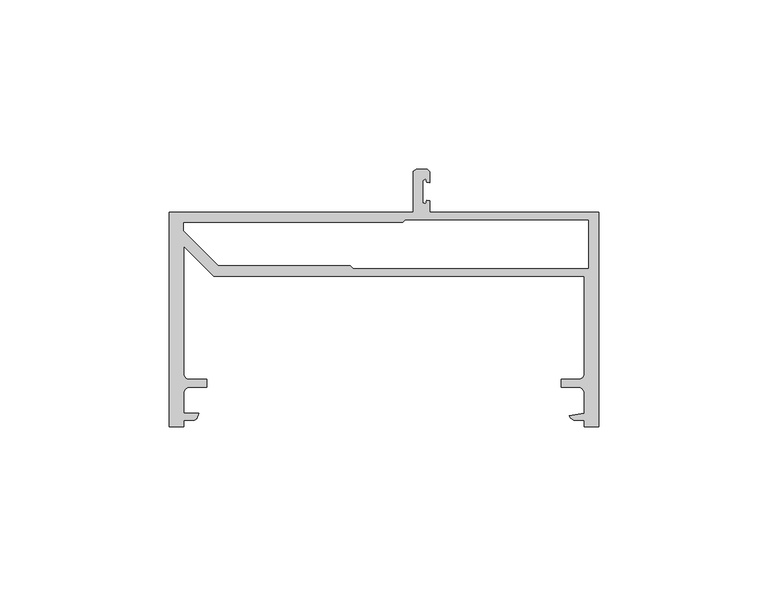
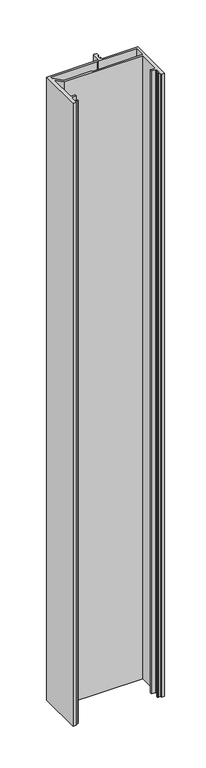
"""IFC4 building model written with IfcOpenShell, lengths in millimetres: proxy geometry."""

import ifcopenshell
import ifcopenshell.guid

model = None  # the IFC model being written
_history = None  # IfcOwnerHistory: only IFC2X3 demands one
_inside = {}  # id of a spatial element -> (the spatial element, [elements in it])
_under = {}  # id of a project, library or spatial element -> (it, [spatial elements below it])
_declared = {}  # id of a project -> (the project, [libraries it declares])
_typed = {}  # id of a type object -> (the type object, [elements of that type])
_made_of = {}  # id of a material, layer set ... -> (it, [elements and type objects made of it])


def new_model(schema):
    """Start an empty IFC model of exactly this schema.

    Asked for "IFC4X3", IfcOpenShell would pick the latest addendum, in which some entities
    have other attributes; the version numbers below select the first issue.
    IFC2X3 requires an IfcOwnerHistory on every rooted entity: one is made here for all.
    """
    global model, _history
    if schema == "IFC4X3":
        model = ifcopenshell.file(schema_version=(4, 3, 0, 0))
    else:
        model = ifcopenshell.file(schema=schema)
    _inside.clear()
    _under.clear()
    _declared.clear()
    _typed.clear()
    _made_of.clear()
    _history = None
    if model.schema == "IFC2X3":
        org = make("IfcOrganization", Name="unknown")
        user = make(
            "IfcPersonAndOrganization",
            ThePerson=make("IfcPerson", FamilyName="unknown"),
            TheOrganization=org,
        )
        app = make(
            "IfcApplication",
            ApplicationDeveloper=org,
            Version="unknown",
            ApplicationFullName="unknown",
            ApplicationIdentifier="unknown",
        )
        _history = make(
            "IfcOwnerHistory",
            OwningUser=user,
            OwningApplication=app,
            ChangeAction="ADDED",
            CreationDate=0,
        )
    return model


def make(cls, **values):
    """One entity of the class cls with the attributes given. An attribute that is None is left unset."""
    return model.create_entity(
        cls, **{name: value for name, value in values.items() if value is not None}
    )


def rooted(cls, **values):
    """An entity with a GlobalId (a new one), such as an element, a storey or a relation."""
    return make(cls, GlobalId=ifcopenshell.guid.new(), OwnerHistory=_history, **values)


def si_unit(unit_type, name, prefix=None):
    """IfcSIUnit, for example si_unit("LENGTHUNIT", "METRE", prefix="MILLI")."""
    return make("IfcSIUnit", UnitType=unit_type, Prefix=prefix, Name=name)


def assignment(units):
    """IfcUnitAssignment: the units of a project."""
    return None if units is None else make("IfcUnitAssignment", Units=units)


def point(xyz):
    """IfcCartesianPoint."""
    return None if xyz is None else make("IfcCartesianPoint", Coordinates=xyz)


def direction(xyz):
    """IfcDirection."""
    return None if xyz is None else make("IfcDirection", DirectionRatios=xyz)


def frame(location, z_axis=None, x_axis=None):
    """IfcAxis2Placement3D, a coordinate frame: its origin and axes. An axis left out is left unset."""
    return make(
        "IfcAxis2Placement3D",
        Location=point(location),
        Axis=direction(z_axis),
        RefDirection=direction(x_axis),
    )


def origin():
    """The frame at (0, 0, 0) with its axes left unset."""
    return frame((0.0, 0.0, 0.0))


def place(relative_to, where):
    """IfcLocalPlacement: puts the frame where relative to a parent placement (None: the world)."""
    return make(
        "IfcLocalPlacement", PlacementRelTo=relative_to, RelativePlacement=where
    )


def context(
    kind, dimensions, precision=None, world=None, true_north=None, identifier=None
):
    """IfcGeometricRepresentationContext, for example the 3D "Model" context."""
    return make(
        "IfcGeometricRepresentationContext",
        ContextIdentifier=identifier,
        ContextType=kind,
        CoordinateSpaceDimension=dimensions,
        Precision=precision,
        WorldCoordinateSystem=world,
        TrueNorth=true_north,
    )


def project(units=None, contexts=None):
    """IfcProject with its units and contexts."""
    return rooted(
        "IfcProject",
        Name="project",
        RepresentationContexts=contexts,
        UnitsInContext=assignment(units),
    )


def spatial(cls, under=None, at=None, **own):
    """A site, building, storey or space (cls), placed at a placement, below another one or the project."""
    s = rooted(cls, ObjectPlacement=at, **own)
    if under is not None:
        _under.setdefault(under.id(), (under, []))[1].append(s)
    return s


def polyline(points):
    """IfcPolyline through the points."""
    return make("IfcPolyline", Points=[point(p) for p in points])


def outline(outer, holes=None, kind="AREA"):
    """IfcArbitraryClosedProfileDef: a profile drawn as a closed curve; with holes, ...WithVoids."""
    if holes is None:
        return make("IfcArbitraryClosedProfileDef", ProfileType=kind, OuterCurve=outer)
    return make(
        "IfcArbitraryProfileDefWithVoids",
        ProfileType=kind,
        OuterCurve=outer,
        InnerCurves=holes,
    )


def extrude(swept, where, along, depth):
    """IfcExtrudedAreaSolid: the profile swept, set in the frame where, extruded along a direction by depth."""
    return make(
        "IfcExtrudedAreaSolid",
        SweptArea=swept,
        Position=where,
        ExtrudedDirection=direction(along),
        Depth=depth,
    )


def shape(context_of_items, identifier, shape_type, items):
    """IfcShapeRepresentation: the items that make up one representation, for example the "Body"."""
    return make(
        "IfcShapeRepresentation",
        ContextOfItems=context_of_items,
        RepresentationIdentifier=identifier,
        RepresentationType=shape_type,
        Items=items,
    )


def source(mapping_origin, context_of_items, identifier, shape_type, items):
    """IfcRepresentationMap: a shape defined once, which mapped items show again and again."""
    return make(
        "IfcRepresentationMap",
        MappingOrigin=mapping_origin,
        MappedRepresentation=shape(context_of_items, identifier, shape_type, items),
    )


def transform(
    local_origin,
    x_axis=None,
    y_axis=None,
    z_axis=None,
    scale=None,
    scale2=None,
    scale3=None,
    uniform=True,
):
    """IfcCartesianTransformationOperator3D, or its non-uniform kind. x_axis, y_axis, z_axis: its Axis1, 2, 3."""
    if uniform:
        return make(
            "IfcCartesianTransformationOperator3D",
            Axis1=direction(x_axis),
            Axis2=direction(y_axis),
            LocalOrigin=point(local_origin),
            Scale=scale,
            Axis3=direction(z_axis),
        )
    return make(
        "IfcCartesianTransformationOperator3DnonUniform",
        Axis1=direction(x_axis),
        Axis2=direction(y_axis),
        LocalOrigin=point(local_origin),
        Scale=scale,
        Axis3=direction(z_axis),
        Scale2=scale2,
        Scale3=scale3,
    )


def mapped(mapping_source, mapping_target):
    """IfcMappedItem: shows the shape of a source again, moved by a transform."""
    return make(
        "IfcMappedItem", MappingSource=mapping_source, MappingTarget=mapping_target
    )


def made_of(thing, what):
    """Note that an element or type object is made of a material, layer set ...; save() writes the relation."""
    if what is not None:
        _made_of.setdefault(what.id(), (what, []))[1].append(thing)
    return thing


def element(
    cls,
    number,
    at=None,
    inside=None,
    cuts=None,
    type_object=None,
    material=None,
    context=None,
    identifier="Body",
    shape_type=None,
    held_by="IfcProductDefinitionShape",
    body=None,
    shapes=None,
    **own,
):
    """One element of the class cls, such as IfcWall. Its Tag is "e" and its number.

    at: its placement. inside: the storey or other place that contains it. cuts: it is an
    opening in that element (IfcRelVoidsElement). A single representation is given by context,
    identifier, shape_type and body (its items); several are given by shapes. held_by: the class
    of the entity that holds the representations. save() writes the other relations.
    """
    e = rooted(cls, Tag="e%d" % number, ObjectPlacement=at, **own)
    if body is not None:
        shapes = [shape(context, identifier, shape_type, body)]
    if shapes is not None:
        e.Representation = make(held_by, Representations=shapes)
    if inside is not None:
        _inside.setdefault(inside.id(), (inside, []))[1].append(e)
    if cuts is not None:
        rooted(
            "IfcRelVoidsElement", RelatingBuildingElement=cuts, RelatedOpeningElement=e
        )
    if type_object is not None:
        _typed.setdefault(type_object.id(), (type_object, []))[1].append(e)
    return made_of(e, material)


def aggregate(whole, parts):
    """IfcRelAggregates: a whole, such as a stair, and the parts it consists of."""
    return rooted("IfcRelAggregates", RelatingObject=whole, RelatedObjects=parts)


def save(model, path):
    """Write the relations noted so far, then the file.

    IfcRelAggregates (storeys below a building ...), IfcRelContainedInSpatialStructure (elements
    in a storey), IfcRelDefinesByType, IfcRelAssociatesMaterial and IfcRelDeclares: one each for
    every whole, place, type object, material and project.
    """
    for whole, parts in _under.values():
        aggregate(whole, parts)
    for where, things in _inside.values():
        rooted(
            "IfcRelContainedInSpatialStructure",
            RelatedElements=things,
            RelatingStructure=where,
        )
    for kind, things in _typed.values():
        rooted("IfcRelDefinesByType", RelatedObjects=things, RelatingType=kind)
    for what, things in _made_of.values():
        rooted("IfcRelAssociatesMaterial", RelatedObjects=things, RelatingMaterial=what)
    for by, libraries in _declared.values():
        rooted("IfcRelDeclares", RelatingContext=by, RelatedDefinitions=libraries)
    model.write(path)


def generic_models_aaa32956(model_context):
    return source(origin(), model_context, "Body", "SweptSolid", [
        extrude(outline(polyline([(37135.3710168, -23836.7255573), (37207.5801688, -23836.7255573), (37207.5801688, -23824.6818933), (37208.3675688, -23824.0255573), (37211.6980168, -23824.0255573), (37212.3594328, -23824.8088933), (37212.3594328, -23828.0042133), (37211.4927848, -23827.9117573), (37211.1514088, -23826.9252213), (37210.3243848, -23827.4545573), (37210.3243848, -23833.9254613), (37211.2458968, -23834.2841093), (37211.4927848, -23833.2579493), (37212.3594328, -23833.3473573), (37212.3594328, -23836.7255573), (37262.3710168, -23836.7255573), (37262.3710168, -23900.2255573), (37257.9991688, -23900.2255573), (37257.9991688, -23898.1915253), (37254.9948568, -23898.1915253), (37254.0692808, -23897.6621893), (37253.6842168, -23896.8961253), (37257.9991688, -23896.1574933), (37257.9991688, -23889.7912373), (37257.460869, -23888.8588747), (37256.6976728, -23888.4734853), (37251.2691848, -23888.4734853), (37251.2691848, -23886.1864693), (37256.6824328, -23886.1864693), (37257.6141048, -23885.6510373), (37257.9991688, -23884.8961493), (37257.9991688, -23855.6206044), (37148.5836017, -23855.6206044), (37139.7367946, -23846.7737973), (37139.7367946, -23884.8798784), (37140.2711848, -23885.8054693), (37141.0321688, -23886.1864693), (37146.4667528, -23886.1864693), (37146.4667528, -23888.4734853), (37141.0474088, -23888.4734853), (37140.1218328, -23889.0139973), (37139.7367688, -23889.7739653), (37139.7367688, -23896.1574933), (37144.0578168, -23896.1574933), (37143.5173048, -23897.8054453), (37142.7563208, -23898.1915253), (37139.7367688, -23898.1915253), (37139.7367688, -23900.2255573), (37135.3710168, -23900.2255573), (37135.3710168, -23836.7255573)]), holes=[polyline([(37204.4315848, -23839.9005573), (37139.7388008, -23839.9005573), (37139.7388008, -23842.2840933), (37149.9008328, -23852.4461253), (37188.9101528, -23852.4461253), (37189.8006768, -23853.3366493), (37259.1960168, -23853.3366493), (37259.1960168, -23839.1111253), (37205.2210168, -23839.1111253), (37204.4315848, -23839.9005573)])]), frame((0.0, 0.0, 1524.0), z_axis=(0.0, 0.0, 1.0), x_axis=(1.0, 0.0, 0.0)), (0.0, 0.0, 1.0), 914.4),
    ])


if __name__ == "__main__":
    model = new_model("IFC4")
    model_context = context("Model", 3, world=origin())
    ifc_project = project(units=[si_unit("LENGTHUNIT", "METRE", prefix="MILLI")], contexts=[model_context])
    site = spatial("IfcSite", under=ifc_project)
    building = spatial("IfcBuilding", under=site)
    placement = place(None, origin())
    generic_models_shape = generic_models_aaa32956(model_context)
    element("IfcBuildingElementProxy", 1, Name="Generic Models", at=placement, inside=building, context=model_context, shape_type="MappedRepresentation", body=[
        mapped(generic_models_shape, transform((0.0, 0.0, 0.0), x_axis=(1.0, 0.0, 0.0), y_axis=(0.0, 1.0, 0.0), z_axis=(0.0, 0.0, 1.0))),
    ])
    save(model, "model.ifc")
